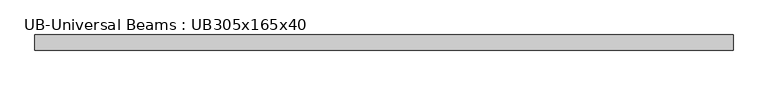
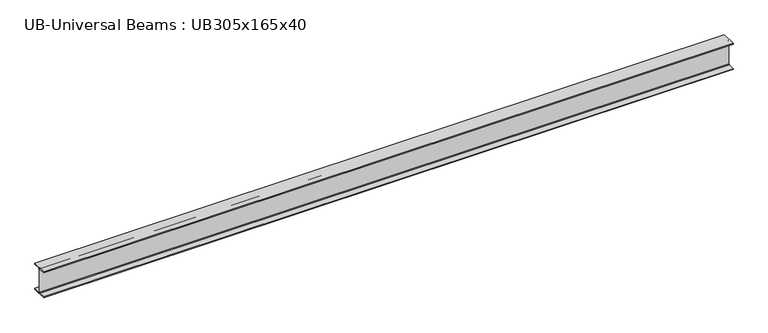
"""IFC4 building model written with IfcOpenShell, lengths in millimetres: beam geometry, UB-Universal Beams : UB305x165x40."""

from ifc_helpers import new_model, si_unit, point, frame, frame_2d, origin, place, context, project, spatial, polyline, circle_curve, trimmed, segment, composite_curve, outline, extrude, source, transform, mapped, element, save


def ub_universal_beams_ub305x165x40_43c806ab(model_context):
    return source(origin(), model_context, "Body", "SweptSolid", [
        extrude(outline(composite_curve([segment(polyline([(82.5, -141.5), (82.5, -151.7), (-82.5, -151.7), (-82.5, -141.5), (-11.9, -141.5)]), True, "CONTINUOUS"), segment(trimmed(circle_curve(frame_2d((-11.9, -132.6)), 8.9), [point((-11.9, -141.5))], [point((-3.0, -132.6))], True, "CARTESIAN"), True, "CONTINUOUS"), segment(polyline([(-3.0, -132.6), (-3.0, 132.6)]), True, "CONTINUOUS"), segment(trimmed(circle_curve(frame_2d((-11.9, 132.6)), 8.9), [point((-3.0, 132.6))], [point((-11.9, 141.5))], True, "CARTESIAN"), True, "CONTINUOUS"), segment(polyline([(-11.9, 141.5), (-82.5, 141.5), (-82.5, 151.7), (82.5, 151.7), (82.5, 141.5), (11.9, 141.5)]), True, "CONTINUOUS"), segment(trimmed(circle_curve(frame_2d((11.9, 132.6)), 8.9), [point((11.9, 141.5))], [point((3.0, 132.6))], True, "CARTESIAN"), True, "CONTINUOUS"), segment(polyline([(3.0, 132.6), (3.0, -132.6)]), True, "CONTINUOUS"), segment(trimmed(circle_curve(frame_2d((11.9, -132.6)), 8.9), [point((3.0, -132.6))], [point((11.9, -141.5))], True, "CARTESIAN"), True, "CONTINUOUS"), segment(polyline([(11.9, -141.5), (82.5, -141.5)]), True, "CONTINUOUS")], self_intersect=False)), frame((-3817.5, 0.0, 0.0), z_axis=(1.0, 0.0, 0.0), x_axis=(0.0, 1.0, 0.0)), (0.0, 0.0, 1.0), 7622.3),
    ])


if __name__ == "__main__":
    model = new_model("IFC4")
    model_context = context("Model", 3, world=origin())
    ifc_project = project(units=[si_unit("LENGTHUNIT", "METRE", prefix="MILLI")], contexts=[model_context])
    site = spatial("IfcSite", under=ifc_project)
    building = spatial("IfcBuilding", under=site)
    placement = place(None, origin())
    ub_universal_beams_ub305x165x40_shape = ub_universal_beams_ub305x165x40_43c806ab(model_context)
    element("IfcBeam", 1, ObjectType="UB-Universal Beams : UB305x165x40", at=placement, inside=building, context=model_context, shape_type="MappedRepresentation", body=[
        mapped(ub_universal_beams_ub305x165x40_shape, transform((0.0, 0.0, 0.0), x_axis=(1.0, 0.0, 0.0), y_axis=(0.0, 1.0, 0.0), z_axis=(0.0, 0.0, 1.0))),
    ])
    save(model, "model.ifc")
